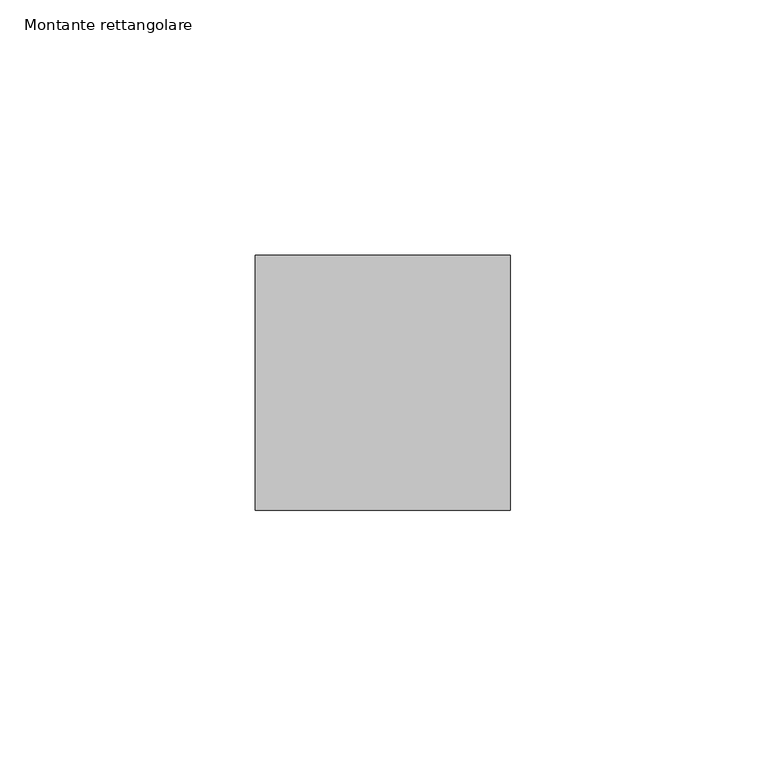
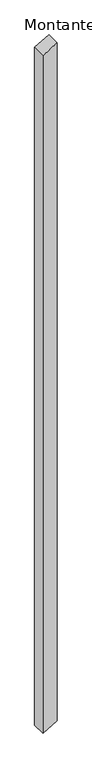
"""IFC4 building model written with IfcOpenShell, lengths in millimetres: member geometry, Montante rettangolare."""

from ifc_helpers import new_model, si_unit, frame, origin, place, context, project, spatial, polyline, outline, extrude, source, transform, mapped, element, save


def montante_rettangolare_916e6ca1(model_context):
    return source(origin(), model_context, "Body", "SweptSolid", [
        extrude(outline(polyline([(-3.0850383, 25.0), (-32.7728658, -25.0), (-2573.0959991, -25.0), (-2543.4081716, 25.0), (-3.0850383, 25.0)])), frame((0.0, -25.0, 0.0), z_axis=(0.0, 1.0, 0.0), x_axis=(0.0, 0.0, 1.0)), (0.0, 0.0, 1.0), 50.0),
    ])


if __name__ == "__main__":
    model = new_model("IFC4")
    model_context = context("Model", 3, world=origin())
    ifc_project = project(units=[si_unit("LENGTHUNIT", "METRE", prefix="MILLI")], contexts=[model_context])
    site = spatial("IfcSite", under=ifc_project)
    building = spatial("IfcBuilding", under=site)
    placement = place(None, origin())
    montante_rettangolare_shape = montante_rettangolare_916e6ca1(model_context)
    element("IfcMember", 1, ObjectType="Montante rettangolare", at=placement, inside=building, context=model_context, shape_type="MappedRepresentation", body=[
        mapped(montante_rettangolare_shape, transform((0.0, 0.0, 0.0), x_axis=(1.0, 0.0, 0.0), y_axis=(0.0, 1.0, 0.0), z_axis=(0.0, 0.0, 1.0))),
    ])
    save(model, "model.ifc")
